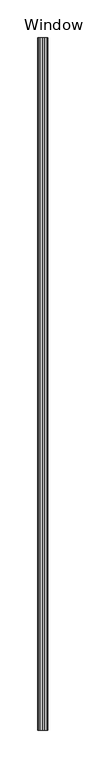
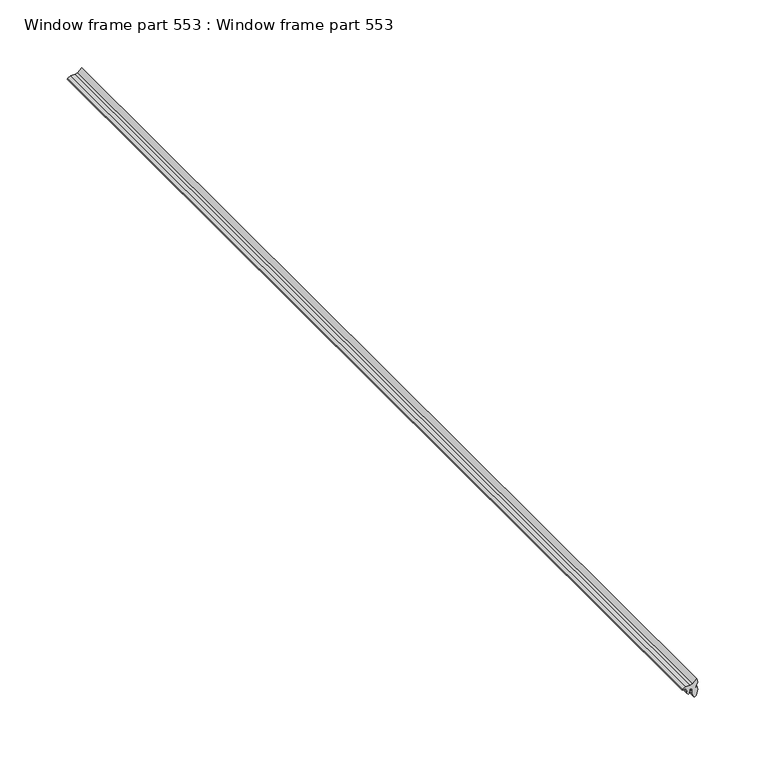
"""IFC4 building model written with IfcOpenShell, lengths in millimetres: proxy geometry, Window frame part 553 : Window frame part 553."""

from ifc_helpers import new_model, si_unit, frame, origin, place, context, project, spatial, polyline, outline, extrude, source, transform, mapped, element, save


def window_frame_part_553_window_frame_part_553_0156657e(model_context):
    return source(origin(), model_context, "Body", "SweptSolid", [
        extrude(outline(polyline([(1387.5253217, 37575.4198036), (1387.4015145, 37576.9678485), (1384.5539484, 37577.153614), (1383.3158762, 37577.4013013), (1381.6692674, 37578.80438), (1383.0063582, 37580.3735476), (1383.5634907, 37579.5685642), (1384.4920448, 37580.4354692), (1384.615852, 37579.4447206), (1385.9777315, 37580.0020167), (1385.9777315, 37581.8650244), (1383.5468801, 37581.8650244), (1381.1146115, 37582.2201438), (1378.2656758, 37583.2296543), (1377.8573418, 37584.2154597), (1378.7560271, 37585.5185906), (1383.5468801, 37586.5963751), (1387.0078945, 37585.9620225), (1382.9892198, 37584.3235541), (1387.4006067, 37585.2030337), (1390.0513746, 37586.5963751), (1393.6322226, 37585.9777695), (1390.1487827, 37582.6580305), (1389.5102736, 37580.275082), (1389.2647482, 37576.6206931), (1388.2372423, 37573.7570099), (1387.4496, 37573.5007099), (1387.5253217, 37575.4198036)])), frame((0.0, -19576.8264269, 0.0), z_axis=(0.0, 1.0, 0.0), x_axis=(0.0, 0.0, 1.0)), (0.0, 0.0, 1.0), 914.4),
    ])


if __name__ == "__main__":
    model = new_model("IFC4")
    model_context = context("Model", 3, world=origin())
    ifc_project = project(units=[si_unit("LENGTHUNIT", "METRE", prefix="MILLI")], contexts=[model_context])
    site = spatial("IfcSite", under=ifc_project)
    building = spatial("IfcBuilding", under=site)
    placement = place(None, origin())
    window_frame_part_553_window_frame_part_553_shape = window_frame_part_553_window_frame_part_553_0156657e(model_context)
    element("IfcBuildingElementProxy", 1, Name="Window frame part 553 : Window frame part 553", ObjectType="Window frame part 553 : Window frame part 553", at=placement, inside=building, context=model_context, shape_type="MappedRepresentation", body=[
        mapped(window_frame_part_553_window_frame_part_553_shape, transform((0.0, 0.0, 0.0), x_axis=(1.0, 0.0, 0.0), y_axis=(0.0, 1.0, 0.0), z_axis=(0.0, 0.0, 1.0))),
    ])
    save(model, "model.ifc")
